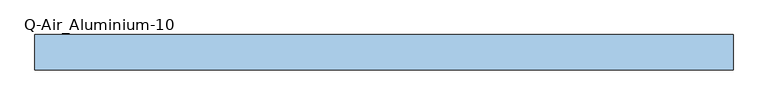
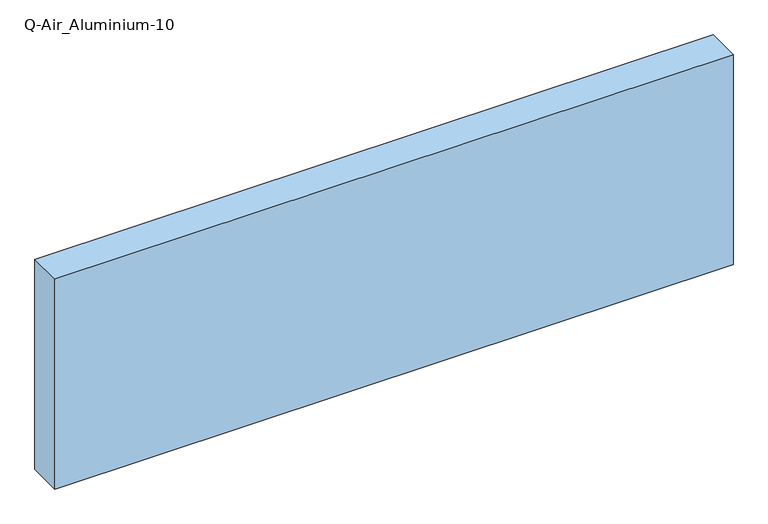
"""IFC4 building model written with IfcOpenShell, lengths in millimetres: window geometry, Q-Air_Aluminium-10."""

import ifcopenshell
import ifcopenshell.guid

model = None  # the IFC model being written
_history = None  # IfcOwnerHistory: only IFC2X3 demands one
_inside = {}  # id of a spatial element -> (the spatial element, [elements in it])
_under = {}  # id of a project, library or spatial element -> (it, [spatial elements below it])
_declared = {}  # id of a project -> (the project, [libraries it declares])
_typed = {}  # id of a type object -> (the type object, [elements of that type])
_made_of = {}  # id of a material, layer set ... -> (it, [elements and type objects made of it])


def new_model(schema):
    """Start an empty IFC model of exactly this schema.

    Asked for "IFC4X3", IfcOpenShell would pick the latest addendum, in which some entities
    have other attributes; the version numbers below select the first issue.
    IFC2X3 requires an IfcOwnerHistory on every rooted entity: one is made here for all.
    """
    global model, _history
    if schema == "IFC4X3":
        model = ifcopenshell.file(schema_version=(4, 3, 0, 0))
    else:
        model = ifcopenshell.file(schema=schema)
    _inside.clear()
    _under.clear()
    _declared.clear()
    _typed.clear()
    _made_of.clear()
    _history = None
    if model.schema == "IFC2X3":
        org = make("IfcOrganization", Name="unknown")
        user = make(
            "IfcPersonAndOrganization",
            ThePerson=make("IfcPerson", FamilyName="unknown"),
            TheOrganization=org,
        )
        app = make(
            "IfcApplication",
            ApplicationDeveloper=org,
            Version="unknown",
            ApplicationFullName="unknown",
            ApplicationIdentifier="unknown",
        )
        _history = make(
            "IfcOwnerHistory",
            OwningUser=user,
            OwningApplication=app,
            ChangeAction="ADDED",
            CreationDate=0,
        )
    return model


def make(cls, **values):
    """One entity of the class cls with the attributes given. An attribute that is None is left unset."""
    return model.create_entity(
        cls, **{name: value for name, value in values.items() if value is not None}
    )


def rooted(cls, **values):
    """An entity with a GlobalId (a new one), such as an element, a storey or a relation."""
    return make(cls, GlobalId=ifcopenshell.guid.new(), OwnerHistory=_history, **values)


def si_unit(unit_type, name, prefix=None):
    """IfcSIUnit, for example si_unit("LENGTHUNIT", "METRE", prefix="MILLI")."""
    return make("IfcSIUnit", UnitType=unit_type, Prefix=prefix, Name=name)


def assignment(units):
    """IfcUnitAssignment: the units of a project."""
    return None if units is None else make("IfcUnitAssignment", Units=units)


def point(xyz):
    """IfcCartesianPoint."""
    return None if xyz is None else make("IfcCartesianPoint", Coordinates=xyz)


def direction(xyz):
    """IfcDirection."""
    return None if xyz is None else make("IfcDirection", DirectionRatios=xyz)


def frame(location, z_axis=None, x_axis=None):
    """IfcAxis2Placement3D, a coordinate frame: its origin and axes. An axis left out is left unset."""
    return make(
        "IfcAxis2Placement3D",
        Location=point(location),
        Axis=direction(z_axis),
        RefDirection=direction(x_axis),
    )


def origin():
    """The frame at (0, 0, 0) with its axes left unset."""
    return frame((0.0, 0.0, 0.0))


def origin_with_axes():
    """The frame at (0, 0, 0) with the z axis (0, 0, 1) and the x axis (1, 0, 0) written out."""
    return frame((0.0, 0.0, 0.0), z_axis=(0.0, 0.0, 1.0), x_axis=(1.0, 0.0, 0.0))


def place(relative_to, where):
    """IfcLocalPlacement: puts the frame where relative to a parent placement (None: the world)."""
    return make(
        "IfcLocalPlacement", PlacementRelTo=relative_to, RelativePlacement=where
    )


def context(
    kind, dimensions, precision=None, world=None, true_north=None, identifier=None
):
    """IfcGeometricRepresentationContext, for example the 3D "Model" context."""
    return make(
        "IfcGeometricRepresentationContext",
        ContextIdentifier=identifier,
        ContextType=kind,
        CoordinateSpaceDimension=dimensions,
        Precision=precision,
        WorldCoordinateSystem=world,
        TrueNorth=true_north,
    )


def project(units=None, contexts=None):
    """IfcProject with its units and contexts."""
    return rooted(
        "IfcProject",
        Name="project",
        RepresentationContexts=contexts,
        UnitsInContext=assignment(units),
    )


def spatial(cls, under=None, at=None, **own):
    """A site, building, storey or space (cls), placed at a placement, below another one or the project."""
    s = rooted(cls, ObjectPlacement=at, **own)
    if under is not None:
        _under.setdefault(under.id(), (under, []))[1].append(s)
    return s


def polyline(points):
    """IfcPolyline through the points."""
    return make("IfcPolyline", Points=[point(p) for p in points])


def outline(outer, holes=None, kind="AREA"):
    """IfcArbitraryClosedProfileDef: a profile drawn as a closed curve; with holes, ...WithVoids."""
    if holes is None:
        return make("IfcArbitraryClosedProfileDef", ProfileType=kind, OuterCurve=outer)
    return make(
        "IfcArbitraryProfileDefWithVoids",
        ProfileType=kind,
        OuterCurve=outer,
        InnerCurves=holes,
    )


def extrude(swept, where, along, depth):
    """IfcExtrudedAreaSolid: the profile swept, set in the frame where, extruded along a direction by depth."""
    return make(
        "IfcExtrudedAreaSolid",
        SweptArea=swept,
        Position=where,
        ExtrudedDirection=direction(along),
        Depth=depth,
    )


def shape(context_of_items, identifier, shape_type, items):
    """IfcShapeRepresentation: the items that make up one representation, for example the "Body"."""
    return make(
        "IfcShapeRepresentation",
        ContextOfItems=context_of_items,
        RepresentationIdentifier=identifier,
        RepresentationType=shape_type,
        Items=items,
    )


def source(mapping_origin, context_of_items, identifier, shape_type, items):
    """IfcRepresentationMap: a shape defined once, which mapped items show again and again."""
    return make(
        "IfcRepresentationMap",
        MappingOrigin=mapping_origin,
        MappedRepresentation=shape(context_of_items, identifier, shape_type, items),
    )


def transform(
    local_origin,
    x_axis=None,
    y_axis=None,
    z_axis=None,
    scale=None,
    scale2=None,
    scale3=None,
    uniform=True,
):
    """IfcCartesianTransformationOperator3D, or its non-uniform kind. x_axis, y_axis, z_axis: its Axis1, 2, 3."""
    if uniform:
        return make(
            "IfcCartesianTransformationOperator3D",
            Axis1=direction(x_axis),
            Axis2=direction(y_axis),
            LocalOrigin=point(local_origin),
            Scale=scale,
            Axis3=direction(z_axis),
        )
    return make(
        "IfcCartesianTransformationOperator3DnonUniform",
        Axis1=direction(x_axis),
        Axis2=direction(y_axis),
        LocalOrigin=point(local_origin),
        Scale=scale,
        Axis3=direction(z_axis),
        Scale2=scale2,
        Scale3=scale3,
    )


def mapped(mapping_source, mapping_target):
    """IfcMappedItem: shows the shape of a source again, moved by a transform."""
    return make(
        "IfcMappedItem", MappingSource=mapping_source, MappingTarget=mapping_target
    )


def made_of(thing, what):
    """Note that an element or type object is made of a material, layer set ...; save() writes the relation."""
    if what is not None:
        _made_of.setdefault(what.id(), (what, []))[1].append(thing)
    return thing


def element(
    cls,
    number,
    at=None,
    inside=None,
    cuts=None,
    type_object=None,
    material=None,
    context=None,
    identifier="Body",
    shape_type=None,
    held_by="IfcProductDefinitionShape",
    body=None,
    shapes=None,
    **own,
):
    """One element of the class cls, such as IfcWall. Its Tag is "e" and its number.

    at: its placement. inside: the storey or other place that contains it. cuts: it is an
    opening in that element (IfcRelVoidsElement). A single representation is given by context,
    identifier, shape_type and body (its items); several are given by shapes. held_by: the class
    of the entity that holds the representations. save() writes the other relations.
    """
    e = rooted(cls, Tag="e%d" % number, ObjectPlacement=at, **own)
    if body is not None:
        shapes = [shape(context, identifier, shape_type, body)]
    if shapes is not None:
        e.Representation = make(held_by, Representations=shapes)
    if inside is not None:
        _inside.setdefault(inside.id(), (inside, []))[1].append(e)
    if cuts is not None:
        rooted(
            "IfcRelVoidsElement", RelatingBuildingElement=cuts, RelatedOpeningElement=e
        )
    if type_object is not None:
        _typed.setdefault(type_object.id(), (type_object, []))[1].append(e)
    return made_of(e, material)


def aggregate(whole, parts):
    """IfcRelAggregates: a whole, such as a stair, and the parts it consists of."""
    return rooted("IfcRelAggregates", RelatingObject=whole, RelatedObjects=parts)


def save(model, path):
    """Write the relations noted so far, then the file.

    IfcRelAggregates (storeys below a building ...), IfcRelContainedInSpatialStructure (elements
    in a storey), IfcRelDefinesByType, IfcRelAssociatesMaterial and IfcRelDeclares: one each for
    every whole, place, type object, material and project.
    """
    for whole, parts in _under.values():
        aggregate(whole, parts)
    for where, things in _inside.values():
        rooted(
            "IfcRelContainedInSpatialStructure",
            RelatedElements=things,
            RelatingStructure=where,
        )
    for kind, things in _typed.values():
        rooted("IfcRelDefinesByType", RelatedObjects=things, RelatingType=kind)
    for what, things in _made_of.values():
        rooted("IfcRelAssociatesMaterial", RelatedObjects=things, RelatingMaterial=what)
    for by, libraries in _declared.values():
        rooted("IfcRelDeclares", RelatingContext=by, RelatedDefinitions=libraries)
    model.write(path)


def q_air_aluminium_10_19847aaa(model_context):
    return source(origin(), model_context, "Body", "SweptSolid", [
        extrude(outline(polyline([(1312.4000002, 0.0), (-1190.0000002, 0.0), (-1190.0000002, 127.0), (1312.4000002, 127.0), (1312.4000002, 0.0)])), origin_with_axes(), (0.0, 0.0, 1.0), 820.0),
    ])


if __name__ == "__main__":
    model = new_model("IFC4")
    model_context = context("Model", 3, world=origin())
    ifc_project = project(units=[si_unit("LENGTHUNIT", "METRE", prefix="MILLI")], contexts=[model_context])
    site = spatial("IfcSite", under=ifc_project)
    building = spatial("IfcBuilding", under=site)
    placement = place(None, origin())
    q_air_aluminium_10_shape = q_air_aluminium_10_19847aaa(model_context)
    element("IfcWindow", 1, ObjectType="Q-Air_Aluminium-10", at=placement, inside=building, context=model_context, shape_type="MappedRepresentation", body=[
        mapped(q_air_aluminium_10_shape, transform((0.0, 0.0, 0.0), x_axis=(1.0, 0.0, 0.0), y_axis=(0.0, 1.0, 0.0), z_axis=(0.0, 0.0, 1.0))),
    ])
    save(model, "model.ifc")
